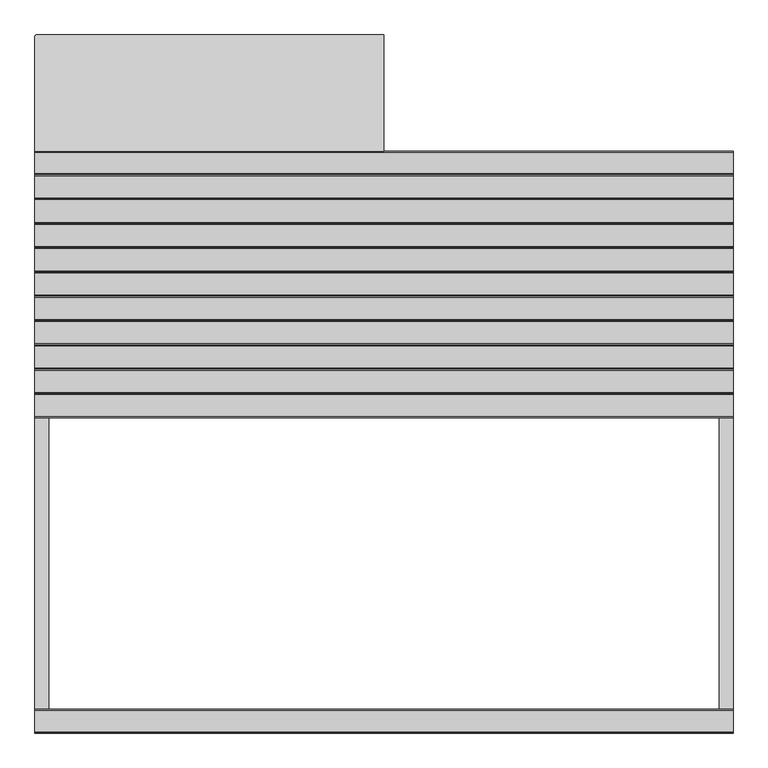
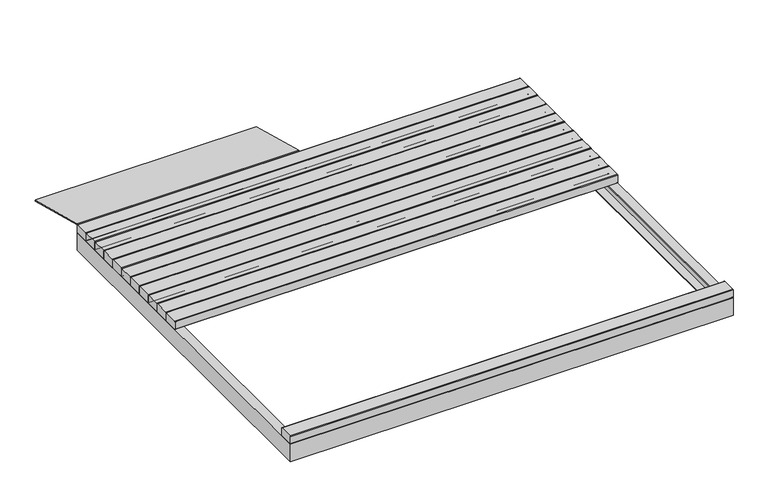
"""IFC4 building model written with IfcOpenShell, lengths in millimetres: furniture geometry."""

from ifc_helpers import new_model, si_unit, frame, origin, place, context, project, spatial, circle_curve, ellipse_curve, faceted_brep, source, transform, mapped, element, save
from ifc_brep_helpers import plane_surface, cylinder_surface, advanced_brep


def furniture_3b943328(model_context):
    return source(origin(), model_context, "Body", "SolidModel", [
        advanced_brep(
        [(-1199.9998, 86.6517174, 172.8), (-1199.9998, 164.2169348, 172.8), (-1199.9998, 167.2169348, 169.8), (-1199.9998, 167.2169348, 128.2937565), (-1199.9998, 164.2231783, 125.3), (-1199.9998, 86.6517174, 125.3), (-1199.9998, 83.6517174, 128.3), (-1199.9998, 83.6517174, 169.8), (1199.9999759, 83.6517174, 128.3), (1199.9999759, 83.6517174, 169.8), (1199.9999759, 167.2169348, 128.2937565), (1199.9999759, 164.2231783, 125.3), (1149.9999759, 164.2231783, 125.3), (-1149.9999759, 164.2231783, 125.3), (1199.9999759, 86.6517174, 172.8), (1199.9999759, 86.6517174, 125.3), (1199.9999759, 167.2169348, 169.8), (1199.9999759, 164.2169348, 172.8), (-1149.9999759, 86.6517174, 125.3), (1149.9999759, 86.6517174, 125.3)],
        [
            (0, 1),
            (1, 2, circle_curve(frame((-1199.9998, 164.2169348, 169.8), z_axis=(-1.0, 0.0, 0.0), x_axis=(0.0, -1.0, 0.0)), 3.0)),
            (2, 3),
            (3, 4, circle_curve(frame((-1199.9998, 164.2231783, 128.2937565), z_axis=(-1.0, 0.0, 0.0), x_axis=(0.0, -1.0, 0.0)), 2.9937565)),
            (4, 5),
            (5, 6, circle_curve(frame((-1199.9998, 86.6517174, 128.3), z_axis=(-1.0, 0.0, 0.0), x_axis=(0.0, -1.0, 0.0)), 3.0)),
            (6, 7),
            (7, 0, circle_curve(frame((-1199.9998, 86.6517174, 169.8), z_axis=(-1.0, 0.0, 0.0), x_axis=(0.0, -1.0, 0.0)), 3.0)),
            (8, 9),
            (9, 7),
            (6, 8),
            (10, 11, circle_curve(frame((1199.9999759, 164.2231783, 128.2937565), z_axis=(-1.0, 0.0, 0.0), x_axis=(0.0, -1.0, 0.0)), 2.9937565)),
            (11, 12),
            (12, 13),
            (13, 4),
            (3, 10),
            (14, 9, circle_curve(frame((1199.9999759, 86.6517174, 169.8), z_axis=(1.0, 0.0, 0.0), x_axis=(0.0, -1.0, 0.0)), 3.0)),
            (8, 15, circle_curve(frame((1199.9999759, 86.6517174, 128.3), z_axis=(1.0, 0.0, 0.0), x_axis=(0.0, -1.0, 0.0)), 3.0)),
            (15, 11),
            (10, 16),
            (16, 17, circle_curve(frame((1199.9999759, 164.2169348, 169.8), z_axis=(1.0, 0.0, 0.0), x_axis=(0.0, -1.0, 0.0)), 3.0)),
            (17, 14),
            (14, 0),
            (5, 18),
            (18, 19),
            (19, 15),
            (2, 16),
            (1, 17),
        ],
        [
            plane_surface(frame((-1199.9998, 83.6517174, 169.8), z_axis=(-1.0, 0.0, 0.0), x_axis=(0.0, 0.0, 1.0))),
            plane_surface(frame((1199.9999759, 83.6517174, 169.8), z_axis=(0.0, -1.0, 0.0), x_axis=(-1.0, 0.0, 0.0))),
            cylinder_surface(frame((-1199.9998, 164.2231783, 128.2937565), z_axis=(1.0, 0.0, 0.0), x_axis=(0.0, -1.0, 0.0)), 2.9937565),
            plane_surface(frame((1199.9999759, 83.6517174, 169.8), z_axis=(1.0, 0.0, 0.0), x_axis=(0.0, 0.0, -1.0))),
            cylinder_surface(frame((-1199.9998, 86.6517174, 169.8), z_axis=(1.0, 0.0, 0.0), x_axis=(0.0, -1.0, 0.0)), 3.0),
            cylinder_surface(frame((-1199.9998, 86.6517174, 128.3), z_axis=(1.0, 0.0, 0.0), x_axis=(0.0, -1.0, 0.0)), 3.0),
            plane_surface(frame((1199.9999759, 86.6517174, 125.3), z_axis=(0.0, 0.0, -1.0), x_axis=(-1.0, 0.0, 0.0))),
            plane_surface(frame((1199.9999759, 167.2169348, 128.2937565), z_axis=(0.0, 1.0, 0.0), x_axis=(-1.0, 0.0, 0.0))),
            cylinder_surface(frame((-1199.9998, 164.2169348, 169.8), z_axis=(1.0, 0.0, 0.0), x_axis=(0.0, -1.0, 0.0)), 3.0),
            plane_surface(frame((1199.9999759, 164.2169348, 172.8), z_axis=(0.0, 0.0, 1.0), x_axis=(-1.0, 0.0, 0.0))),
        ],
        [
            (0, [[1, 2, 3, 4, 5, 6, 7, 8]]),
            (1, [[9, 10, -7, 11]]),
            (2, [[12, 13, 14, 15, -4, 16]]),
            (3, [[17, -9, 18, 19, -12, 20, 21, 22]]),
            (4, [[-17, 23, -8, -10]]),
            (5, [[-18, -11, -6, 24, 25, 26]]),
            (6, [[-19, -26, -25, -24, -5, -15, -14, -13]]),
            (7, [[-20, -16, -3, 27]]),
            (8, [[-21, -27, -2, 28]]),
            (9, [[-22, -28, -1, -23]]),
        ],
    ),
        advanced_brep(
        [(1199.9999759, 170.2169348, 172.8), (1199.9999759, 167.2169348, 169.8), (1199.9999759, 167.2169348, 128.3), (1199.9999759, 170.2169348, 125.3), (1199.9999759, 247.7883957, 125.3), (1199.9999759, 250.7821522, 128.2937565), (1199.9999759, 250.7821522, 169.8), (1199.9999759, 247.7821522, 172.8), (-1199.9998, 170.2169348, 172.8), (-1199.9998, 247.7821522, 172.8), (-1199.9998, 250.7821522, 169.8), (-1199.9998, 250.7821522, 128.2937565), (-1199.9998, 247.7883957, 125.3), (-1199.9998, 170.2169348, 125.3), (-1199.9998, 167.2169348, 128.3), (-1199.9998, 167.2169348, 169.8), (-1149.9999759, 170.2169348, 125.3), (1149.9999759, 170.2169348, 125.3), (-1149.9999759, 247.7883957, 125.3), (1149.9999759, 247.7883957, 125.3)],
        [
            (0, 1, circle_curve(frame((1199.9999759, 170.2169348, 169.8), z_axis=(1.0, 0.0, 0.0), x_axis=(0.0, -1.0, 0.0)), 3.0)),
            (1, 2),
            (2, 3, circle_curve(frame((1199.9999759, 170.2169348, 128.3), z_axis=(1.0, 0.0, 0.0), x_axis=(0.0, -1.0, 0.0)), 3.0)),
            (3, 4),
            (4, 5, circle_curve(frame((1199.9999759, 247.7883957, 128.2937565), z_axis=(1.0, 0.0, 0.0), x_axis=(0.0, -1.0, 0.0)), 2.9937565)),
            (5, 6),
            (6, 7, circle_curve(frame((1199.9999759, 247.7821522, 169.8), z_axis=(1.0, 0.0, 0.0), x_axis=(0.0, -1.0, 0.0)), 3.0)),
            (7, 0),
            (8, 9),
            (9, 10, circle_curve(frame((-1199.9998, 247.7821522, 169.8), z_axis=(-1.0, 0.0, 0.0), x_axis=(0.0, -1.0, 0.0)), 3.0)),
            (10, 11),
            (11, 12, circle_curve(frame((-1199.9998, 247.7883957, 128.2937565), z_axis=(-1.0, 0.0, 0.0), x_axis=(0.0, -1.0, 0.0)), 2.9937565)),
            (12, 13),
            (13, 14, circle_curve(frame((-1199.9998, 170.2169348, 128.3), z_axis=(-1.0, 0.0, 0.0), x_axis=(0.0, -1.0, 0.0)), 3.0)),
            (14, 15),
            (15, 8, circle_curve(frame((-1199.9998, 170.2169348, 169.8), z_axis=(-1.0, 0.0, 0.0), x_axis=(0.0, -1.0, 0.0)), 3.0)),
            (0, 8),
            (15, 1),
            (14, 2),
            (13, 16),
            (16, 17),
            (17, 3),
            (12, 18),
            (18, 19),
            (19, 4),
            (11, 5),
            (10, 6),
            (9, 7),
        ],
        [
            plane_surface(frame((1199.9999759, 167.2169348, 169.8), z_axis=(1.0, 0.0, 0.0), x_axis=(0.0, 0.0, -1.0))),
            plane_surface(frame((-1199.9998, 167.2169348, 169.8), z_axis=(-1.0, 0.0, 0.0), x_axis=(0.0, 0.0, 1.0))),
            cylinder_surface(frame((-1199.9998, 170.2169348, 169.8), z_axis=(1.0, 0.0, 0.0), x_axis=(0.0, -1.0, 0.0)), 3.0),
            plane_surface(frame((1199.9999759, 167.2169348, 169.8), z_axis=(0.0, -1.0, 0.0), x_axis=(-1.0, 0.0, 0.0))),
            cylinder_surface(frame((-1199.9998, 170.2169348, 128.3), z_axis=(1.0, 0.0, 0.0), x_axis=(0.0, -1.0, 0.0)), 3.0),
            plane_surface(frame((1199.9999759, 170.2169348, 125.3), z_axis=(0.0, 0.0, -1.0), x_axis=(-1.0, 0.0, 0.0))),
            cylinder_surface(frame((-1199.9998, 247.7883957, 128.2937565), z_axis=(1.0, 0.0, 0.0), x_axis=(0.0, -1.0, 0.0)), 2.9937565),
            plane_surface(frame((1199.9999759, 250.7821522, 128.2937565), z_axis=(0.0, 1.0, 0.0), x_axis=(-1.0, 0.0, 0.0))),
            cylinder_surface(frame((-1199.9998, 247.7821522, 169.8), z_axis=(1.0, 0.0, 0.0), x_axis=(0.0, -1.0, 0.0)), 3.0),
            plane_surface(frame((1199.9999759, 247.7821522, 172.8), z_axis=(0.0, 0.0, 1.0), x_axis=(-1.0, 0.0, 0.0))),
        ],
        [
            (0, [[1, 2, 3, 4, 5, 6, 7, 8]]),
            (1, [[9, 10, 11, 12, 13, 14, 15, 16]]),
            (2, [[-1, 17, -16, 18]]),
            (3, [[-2, -18, -15, 19]]),
            (4, [[-3, -19, -14, 20, 21, 22]]),
            (5, [[-4, -22, -21, -20, -13, 23, 24, 25]]),
            (6, [[-5, -25, -24, -23, -12, 26]]),
            (7, [[-6, -26, -11, 27]]),
            (8, [[-7, -27, -10, 28]]),
            (9, [[-8, -28, -9, -17]]),
        ],
    ),
        advanced_brep(
        [(1199.9999759, 334.3473696, 128.2937565), (1199.9999759, 331.3536131, 125.3), (1149.9999759, 331.3536131, 125.3), (-1149.9999759, 331.3536131, 125.3), (-1199.9998, 331.3536131, 125.3), (-1199.9998, 334.3473696, 128.2937565), (1199.9999759, 253.7821522, 172.8), (1199.9999759, 250.7821522, 169.8), (1199.9999759, 250.7821522, 128.3), (1199.9999759, 253.7821522, 125.3), (1199.9999759, 334.3473696, 169.8), (1199.9999759, 331.3473696, 172.8), (-1199.9998, 253.7821522, 172.8), (-1199.9998, 331.3473696, 172.8), (-1199.9998, 334.3473696, 169.8), (-1199.9998, 253.7821522, 125.3), (-1199.9998, 250.7821522, 128.3), (-1199.9998, 250.7821522, 169.8), (-1149.9999759, 253.7821522, 125.3), (1149.9999759, 253.7821522, 125.3)],
        [
            (0, 1, circle_curve(frame((1199.9999759, 331.3536131, 128.2937565), z_axis=(-1.0, 0.0, 0.0), x_axis=(0.0, -1.0, 0.0)), 2.9937565)),
            (1, 2),
            (2, 3),
            (3, 4),
            (4, 5, circle_curve(frame((-1199.9998, 331.3536131, 128.2937565), z_axis=(1.0, 0.0, 0.0), x_axis=(0.0, -1.0, 0.0)), 2.9937565)),
            (5, 0),
            (6, 7, circle_curve(frame((1199.9999759, 253.7821522, 169.8), z_axis=(1.0, 0.0, 0.0), x_axis=(0.0, -1.0, 0.0)), 3.0)),
            (7, 8),
            (8, 9, circle_curve(frame((1199.9999759, 253.7821522, 128.3), z_axis=(1.0, 0.0, 0.0), x_axis=(0.0, -1.0, 0.0)), 3.0)),
            (9, 1),
            (0, 10),
            (10, 11, circle_curve(frame((1199.9999759, 331.3473696, 169.8), z_axis=(1.0, 0.0, 0.0), x_axis=(0.0, -1.0, 0.0)), 3.0)),
            (11, 6),
            (12, 13),
            (13, 14, circle_curve(frame((-1199.9998, 331.3473696, 169.8), z_axis=(-1.0, 0.0, 0.0), x_axis=(0.0, -1.0, 0.0)), 3.0)),
            (14, 5),
            (4, 15),
            (15, 16, circle_curve(frame((-1199.9998, 253.7821522, 128.3), z_axis=(-1.0, 0.0, 0.0), x_axis=(0.0, -1.0, 0.0)), 3.0)),
            (16, 17),
            (17, 12, circle_curve(frame((-1199.9998, 253.7821522, 169.8), z_axis=(-1.0, 0.0, 0.0), x_axis=(0.0, -1.0, 0.0)), 3.0)),
            (6, 12),
            (17, 7),
            (16, 8),
            (15, 18),
            (18, 19),
            (19, 9),
            (14, 10),
            (13, 11),
        ],
        [
            cylinder_surface(frame((-1199.9998, 331.3536131, 128.2937565), z_axis=(1.0, 0.0, 0.0), x_axis=(0.0, -1.0, 0.0)), 2.9937565),
            plane_surface(frame((1199.9999759, 250.7821522, 169.8), z_axis=(1.0, 0.0, 0.0), x_axis=(0.0, 0.0, -1.0))),
            plane_surface(frame((-1199.9998, 250.7821522, 169.8), z_axis=(-1.0, 0.0, 0.0), x_axis=(0.0, 0.0, 1.0))),
            cylinder_surface(frame((-1199.9998, 253.7821522, 169.8), z_axis=(1.0, 0.0, 0.0), x_axis=(0.0, -1.0, 0.0)), 3.0),
            plane_surface(frame((1199.9999759, 250.7821522, 169.8), z_axis=(0.0, -1.0, 0.0), x_axis=(-1.0, 0.0, 0.0))),
            cylinder_surface(frame((-1199.9998, 253.7821522, 128.3), z_axis=(1.0, 0.0, 0.0), x_axis=(0.0, -1.0, 0.0)), 3.0),
            plane_surface(frame((1199.9999759, 253.7821522, 125.3), z_axis=(0.0, 0.0, -1.0), x_axis=(-1.0, 0.0, 0.0))),
            plane_surface(frame((1199.9999759, 334.3473696, 128.2937565), z_axis=(0.0, 1.0, 0.0), x_axis=(-1.0, 0.0, 0.0))),
            cylinder_surface(frame((-1199.9998, 331.3473696, 169.8), z_axis=(1.0, 0.0, 0.0), x_axis=(0.0, -1.0, 0.0)), 3.0),
            plane_surface(frame((1199.9999759, 331.3473696, 172.8), z_axis=(0.0, 0.0, 1.0), x_axis=(-1.0, 0.0, 0.0))),
        ],
        [
            (0, [[1, 2, 3, 4, 5, 6]]),
            (1, [[7, 8, 9, 10, -1, 11, 12, 13]]),
            (2, [[14, 15, 16, -5, 17, 18, 19, 20]]),
            (3, [[-7, 21, -20, 22]]),
            (4, [[-8, -22, -19, 23]]),
            (5, [[-9, -23, -18, 24, 25, 26]]),
            (6, [[-10, -26, -25, -24, -17, -4, -3, -2]]),
            (7, [[-11, -6, -16, 27]]),
            (8, [[-12, -27, -15, 28]]),
            (9, [[-13, -28, -14, -21]]),
        ],
    ),
        advanced_brep(
        [(1199.9999759, 337.3473696, 172.8), (1199.9999759, 334.3473696, 169.8), (1199.9999759, 334.3473696, 128.3), (1199.9999759, 337.3473696, 125.3), (1199.9999759, 414.9188305, 125.3), (1199.9999759, 417.912587, 128.2937565), (1199.9999759, 417.912587, 169.8), (1199.9999759, 414.912587, 172.8), (-1199.9998, 337.3473696, 172.8), (-1199.9998, 414.912587, 172.8), (-1199.9998, 417.912587, 169.8), (-1199.9998, 417.912587, 128.2937565), (-1199.9998, 414.9188305, 125.3), (-1199.9998, 337.3473696, 125.3), (-1199.9998, 334.3473696, 128.3), (-1199.9998, 334.3473696, 169.8), (-1149.9999759, 337.3473696, 125.3), (1149.9999759, 337.3473696, 125.3), (-1149.9999759, 414.9188305, 125.3), (1149.9999759, 414.9188305, 125.3)],
        [
            (0, 1, circle_curve(frame((1199.9999759, 337.3473696, 169.8), z_axis=(1.0, 0.0, 0.0), x_axis=(0.0, -1.0, 0.0)), 3.0)),
            (1, 2),
            (2, 3, circle_curve(frame((1199.9999759, 337.3473696, 128.3), z_axis=(1.0, 0.0, 0.0), x_axis=(0.0, -1.0, 0.0)), 3.0)),
            (3, 4),
            (4, 5, circle_curve(frame((1199.9999759, 414.9188305, 128.2937565), z_axis=(1.0, 0.0, 0.0), x_axis=(0.0, -1.0, 0.0)), 2.9937565)),
            (5, 6),
            (6, 7, circle_curve(frame((1199.9999759, 414.912587, 169.8), z_axis=(1.0, 0.0, 0.0), x_axis=(0.0, -1.0, 0.0)), 3.0)),
            (7, 0),
            (8, 9),
            (9, 10, circle_curve(frame((-1199.9998, 414.912587, 169.8), z_axis=(-1.0, 0.0, 0.0), x_axis=(0.0, -1.0, 0.0)), 3.0)),
            (10, 11),
            (11, 12, circle_curve(frame((-1199.9998, 414.9188305, 128.2937565), z_axis=(-1.0, 0.0, 0.0), x_axis=(0.0, -1.0, 0.0)), 2.9937565)),
            (12, 13),
            (13, 14, circle_curve(frame((-1199.9998, 337.3473696, 128.3), z_axis=(-1.0, 0.0, 0.0), x_axis=(0.0, -1.0, 0.0)), 3.0)),
            (14, 15),
            (15, 8, circle_curve(frame((-1199.9998, 337.3473696, 169.8), z_axis=(-1.0, 0.0, 0.0), x_axis=(0.0, -1.0, 0.0)), 3.0)),
            (0, 8),
            (15, 1),
            (14, 2),
            (13, 16),
            (16, 17),
            (17, 3),
            (12, 18),
            (18, 19),
            (19, 4),
            (11, 5),
            (10, 6),
            (9, 7),
        ],
        [
            plane_surface(frame((1199.9999759, 334.3473696, 169.8), z_axis=(1.0, 0.0, 0.0), x_axis=(0.0, 0.0, -1.0))),
            plane_surface(frame((-1199.9998, 334.3473696, 169.8), z_axis=(-1.0, 0.0, 0.0), x_axis=(0.0, 0.0, 1.0))),
            cylinder_surface(frame((-1199.9998, 337.3473696, 169.8), z_axis=(1.0, 0.0, 0.0), x_axis=(0.0, -1.0, 0.0)), 3.0),
            plane_surface(frame((1199.9999759, 334.3473696, 169.8), z_axis=(0.0, -1.0, 0.0), x_axis=(-1.0, 0.0, 0.0))),
            cylinder_surface(frame((-1199.9998, 337.3473696, 128.3), z_axis=(1.0, 0.0, 0.0), x_axis=(0.0, -1.0, 0.0)), 3.0),
            plane_surface(frame((1199.9999759, 337.3473696, 125.3), z_axis=(0.0, 0.0, -1.0), x_axis=(-1.0, 0.0, 0.0))),
            cylinder_surface(frame((-1199.9998, 414.9188305, 128.2937565), z_axis=(1.0, 0.0, 0.0), x_axis=(0.0, -1.0, 0.0)), 2.9937565),
            plane_surface(frame((1199.9999759, 417.912587, 128.2937565), z_axis=(0.0, 1.0, 0.0), x_axis=(-1.0, 0.0, 0.0))),
            cylinder_surface(frame((-1199.9998, 414.912587, 169.8), z_axis=(1.0, 0.0, 0.0), x_axis=(0.0, -1.0, 0.0)), 3.0),
            plane_surface(frame((1199.9999759, 414.912587, 172.8), z_axis=(0.0, 0.0, 1.0), x_axis=(-1.0, 0.0, 0.0))),
        ],
        [
            (0, [[1, 2, 3, 4, 5, 6, 7, 8]]),
            (1, [[9, 10, 11, 12, 13, 14, 15, 16]]),
            (2, [[-1, 17, -16, 18]]),
            (3, [[-2, -18, -15, 19]]),
            (4, [[-3, -19, -14, 20, 21, 22]]),
            (5, [[-4, -22, -21, -20, -13, 23, 24, 25]]),
            (6, [[-5, -25, -24, -23, -12, 26]]),
            (7, [[-6, -26, -11, 27]]),
            (8, [[-7, -27, -10, 28]]),
            (9, [[-8, -28, -9, -17]]),
        ],
    ),
        advanced_brep(
        [(1199.9999759, 420.912587, 172.8), (1199.9999759, 417.912587, 169.8), (1199.9999759, 417.912587, 128.3), (1199.9999759, 420.912587, 125.3), (1199.9999759, 498.4840479, 125.3), (1199.9999759, 501.4778043, 128.2937565), (1199.9999759, 501.4778043, 169.8), (1199.9999759, 498.4778043, 172.8), (-1199.9998, 420.912587, 172.8), (-1199.9998, 498.4778043, 172.8), (-1199.9998, 501.4778043, 169.8), (-1199.9998, 501.4778043, 128.2937565), (-1199.9998, 498.4840479, 125.3), (-1199.9998, 420.912587, 125.3), (-1199.9998, 417.912587, 128.3), (-1199.9998, 417.912587, 169.8), (-1149.9999759, 420.912587, 125.3), (1149.9999759, 420.912587, 125.3), (-1149.9999759, 498.4840479, 125.3), (1149.9999759, 498.4840479, 125.3)],
        [
            (0, 1, circle_curve(frame((1199.9999759, 420.912587, 169.8), z_axis=(1.0, 0.0, 0.0), x_axis=(0.0, -1.0, 0.0)), 3.0)),
            (1, 2),
            (2, 3, circle_curve(frame((1199.9999759, 420.912587, 128.3), z_axis=(1.0, 0.0, 0.0), x_axis=(0.0, -1.0, 0.0)), 3.0)),
            (3, 4),
            (4, 5, circle_curve(frame((1199.9999759, 498.4840479, 128.2937565), z_axis=(1.0, 0.0, 0.0), x_axis=(0.0, -1.0, 0.0)), 2.9937565)),
            (5, 6),
            (6, 7, circle_curve(frame((1199.9999759, 498.4778043, 169.8), z_axis=(1.0, 0.0, 0.0), x_axis=(0.0, -1.0, 0.0)), 3.0)),
            (7, 0),
            (8, 9),
            (9, 10, circle_curve(frame((-1199.9998, 498.4778043, 169.8), z_axis=(-1.0, 0.0, 0.0), x_axis=(0.0, -1.0, 0.0)), 3.0)),
            (10, 11),
            (11, 12, circle_curve(frame((-1199.9998, 498.4840479, 128.2937565), z_axis=(-1.0, 0.0, 0.0), x_axis=(0.0, -1.0, 0.0)), 2.9937565)),
            (12, 13),
            (13, 14, circle_curve(frame((-1199.9998, 420.912587, 128.3), z_axis=(-1.0, 0.0, 0.0), x_axis=(0.0, -1.0, 0.0)), 3.0)),
            (14, 15),
            (15, 8, circle_curve(frame((-1199.9998, 420.912587, 169.8), z_axis=(-1.0, 0.0, 0.0), x_axis=(0.0, -1.0, 0.0)), 3.0)),
            (0, 8),
            (15, 1),
            (14, 2),
            (13, 16),
            (16, 17),
            (17, 3),
            (12, 18),
            (18, 19),
            (19, 4),
            (11, 5),
            (10, 6),
            (9, 7),
        ],
        [
            plane_surface(frame((1199.9999759, 417.912587, 169.8), z_axis=(1.0, 0.0, 0.0), x_axis=(0.0, 0.0, -1.0))),
            plane_surface(frame((-1199.9998, 417.912587, 169.8), z_axis=(-1.0, 0.0, 0.0), x_axis=(0.0, 0.0, 1.0))),
            cylinder_surface(frame((-1199.9998, 420.912587, 169.8), z_axis=(1.0, 0.0, 0.0), x_axis=(0.0, -1.0, 0.0)), 3.0),
            plane_surface(frame((1199.9999759, 417.912587, 169.8), z_axis=(0.0, -1.0, 0.0), x_axis=(-1.0, 0.0, 0.0))),
            cylinder_surface(frame((-1199.9998, 420.912587, 128.3), z_axis=(1.0, 0.0, 0.0), x_axis=(0.0, -1.0, 0.0)), 3.0),
            plane_surface(frame((1199.9999759, 420.912587, 125.3), z_axis=(0.0, 0.0, -1.0), x_axis=(-1.0, 0.0, 0.0))),
            cylinder_surface(frame((-1199.9998, 498.4840479, 128.2937565), z_axis=(1.0, 0.0, 0.0), x_axis=(0.0, -1.0, 0.0)), 2.9937565),
            plane_surface(frame((1199.9999759, 501.4778043, 128.2937565), z_axis=(0.0, 1.0, 0.0), x_axis=(-1.0, 0.0, 0.0))),
            cylinder_surface(frame((-1199.9998, 498.4778043, 169.8), z_axis=(1.0, 0.0, 0.0), x_axis=(0.0, -1.0, 0.0)), 3.0),
            plane_surface(frame((1199.9999759, 498.4778043, 172.8), z_axis=(0.0, 0.0, 1.0), x_axis=(-1.0, 0.0, 0.0))),
        ],
        [
            (0, [[1, 2, 3, 4, 5, 6, 7, 8]]),
            (1, [[9, 10, 11, 12, 13, 14, 15, 16]]),
            (2, [[-1, 17, -16, 18]]),
            (3, [[-2, -18, -15, 19]]),
            (4, [[-3, -19, -14, 20, 21, 22]]),
            (5, [[-4, -22, -21, -20, -13, 23, 24, 25]]),
            (6, [[-5, -25, -24, -23, -12, 26]]),
            (7, [[-6, -26, -11, 27]]),
            (8, [[-7, -27, -10, 28]]),
            (9, [[-8, -28, -9, -17]]),
        ],
    ),
        advanced_brep(
        [(1199.9999759, 504.4778043, 172.8), (1199.9999759, 501.4778043, 169.8), (1199.9999759, 501.4778043, 128.3), (1199.9999759, 504.4778043, 125.3), (1199.9999759, 582.0492653, 125.3), (1199.9999759, 585.0430217, 128.2937565), (1199.9999759, 585.0430217, 169.8), (1199.9999759, 582.0430217, 172.8), (-1199.9998, 504.4778043, 172.8), (-1199.9998, 582.0430217, 172.8), (-1199.9998, 585.0430217, 169.8), (-1199.9998, 585.0430217, 128.2937565), (-1199.9998, 582.0492653, 125.3), (-1199.9998, 504.4778043, 125.3), (-1199.9998, 501.4778043, 128.3), (-1199.9998, 501.4778043, 169.8), (-1149.9999759, 504.4778043, 125.3), (1149.9999759, 504.4778043, 125.3), (-1149.9999759, 582.0492653, 125.3), (1149.9999759, 582.0492653, 125.3)],
        [
            (0, 1, circle_curve(frame((1199.9999759, 504.4778043, 169.8), z_axis=(1.0, 0.0, 0.0), x_axis=(0.0, -1.0, 0.0)), 3.0)),
            (1, 2),
            (2, 3, circle_curve(frame((1199.9999759, 504.4778043, 128.3), z_axis=(1.0, 0.0, 0.0), x_axis=(0.0, -1.0, 0.0)), 3.0)),
            (3, 4),
            (4, 5, circle_curve(frame((1199.9999759, 582.0492653, 128.2937565), z_axis=(1.0, 0.0, 0.0), x_axis=(0.0, -1.0, 0.0)), 2.9937565)),
            (5, 6),
            (6, 7, circle_curve(frame((1199.9999759, 582.0430217, 169.8), z_axis=(1.0, 0.0, 0.0), x_axis=(0.0, -1.0, 0.0)), 3.0)),
            (7, 0),
            (8, 9),
            (9, 10, circle_curve(frame((-1199.9998, 582.0430217, 169.8), z_axis=(-1.0, 0.0, 0.0), x_axis=(0.0, -1.0, 0.0)), 3.0)),
            (10, 11),
            (11, 12, circle_curve(frame((-1199.9998, 582.0492653, 128.2937565), z_axis=(-1.0, 0.0, 0.0), x_axis=(0.0, -1.0, 0.0)), 2.9937565)),
            (12, 13),
            (13, 14, circle_curve(frame((-1199.9998, 504.4778043, 128.3), z_axis=(-1.0, 0.0, 0.0), x_axis=(0.0, -1.0, 0.0)), 3.0)),
            (14, 15),
            (15, 8, circle_curve(frame((-1199.9998, 504.4778043, 169.8), z_axis=(-1.0, 0.0, 0.0), x_axis=(0.0, -1.0, 0.0)), 3.0)),
            (0, 8),
            (15, 1),
            (14, 2),
            (13, 16),
            (16, 17),
            (17, 3),
            (12, 18),
            (18, 19),
            (19, 4),
            (11, 5),
            (10, 6),
            (9, 7),
        ],
        [
            plane_surface(frame((1199.9999759, 501.4778043, 169.8), z_axis=(1.0, 0.0, 0.0), x_axis=(0.0, 0.0, -1.0))),
            plane_surface(frame((-1199.9998, 501.4778043, 169.8), z_axis=(-1.0, 0.0, 0.0), x_axis=(0.0, 0.0, 1.0))),
            cylinder_surface(frame((-1199.9998, 504.4778043, 169.8), z_axis=(1.0, 0.0, 0.0), x_axis=(0.0, -1.0, 0.0)), 3.0),
            plane_surface(frame((1199.9999759, 501.4778043, 169.8), z_axis=(0.0, -1.0, 0.0), x_axis=(-1.0, 0.0, 0.0))),
            cylinder_surface(frame((-1199.9998, 504.4778043, 128.3), z_axis=(1.0, 0.0, 0.0), x_axis=(0.0, -1.0, 0.0)), 3.0),
            plane_surface(frame((1199.9999759, 504.4778043, 125.3), z_axis=(0.0, 0.0, -1.0), x_axis=(-1.0, 0.0, 0.0))),
            cylinder_surface(frame((-1199.9998, 582.0492653, 128.2937565), z_axis=(1.0, 0.0, 0.0), x_axis=(0.0, -1.0, 0.0)), 2.9937565),
            plane_surface(frame((1199.9999759, 585.0430217, 128.2937565), z_axis=(0.0, 1.0, 0.0), x_axis=(-1.0, 0.0, 0.0))),
            cylinder_surface(frame((-1199.9998, 582.0430217, 169.8), z_axis=(1.0, 0.0, 0.0), x_axis=(0.0, -1.0, 0.0)), 3.0),
            plane_surface(frame((1199.9999759, 582.0430217, 172.8), z_axis=(0.0, 0.0, 1.0), x_axis=(-1.0, 0.0, 0.0))),
        ],
        [
            (0, [[1, 2, 3, 4, 5, 6, 7, 8]]),
            (1, [[9, 10, 11, 12, 13, 14, 15, 16]]),
            (2, [[-1, 17, -16, 18]]),
            (3, [[-2, -18, -15, 19]]),
            (4, [[-3, -19, -14, 20, 21, 22]]),
            (5, [[-4, -22, -21, -20, -13, 23, 24, 25]]),
            (6, [[-5, -25, -24, -23, -12, 26]]),
            (7, [[-6, -26, -11, 27]]),
            (8, [[-7, -27, -10, 28]]),
            (9, [[-8, -28, -9, -17]]),
        ],
    ),
        advanced_brep(
        [(1199.9999759, 665.6144826, 125.3), (1199.9999759, 588.0430217, 125.3), (1149.9999759, 588.0430217, 125.3), (-1149.9999759, 588.0430217, 125.3), (-1199.9998, 588.0430217, 125.3), (-1199.9998, 665.6144826, 125.3), (-1149.9999759, 665.6144826, 125.3), (1149.9999759, 665.6144826, 125.3), (1199.9999759, 588.0430217, 172.8), (1199.9999759, 585.0430217, 169.8), (1199.9999759, 585.0430217, 128.3), (1199.9999759, 668.6082391, 128.2937565), (1199.9999759, 668.6082391, 169.8), (1199.9999759, 665.6082391, 172.8), (-1199.9998, 588.0430217, 172.8), (-1199.9998, 665.6082391, 172.8), (-1199.9998, 668.6082391, 169.8), (-1199.9998, 668.6082391, 128.2937565), (-1199.9998, 585.0430217, 128.3), (-1199.9998, 585.0430217, 169.8)],
        [
            (0, 1),
            (1, 2),
            (2, 3),
            (3, 4),
            (4, 5),
            (5, 6),
            (6, 7),
            (7, 0),
            (8, 9, circle_curve(frame((1199.9999759, 588.0430217, 169.8), z_axis=(1.0, 0.0, 0.0), x_axis=(0.0, -1.0, 0.0)), 3.0)),
            (9, 10),
            (10, 1, circle_curve(frame((1199.9999759, 588.0430217, 128.3), z_axis=(1.0, 0.0, 0.0), x_axis=(0.0, -1.0, 0.0)), 3.0)),
            (0, 11, circle_curve(frame((1199.9999759, 665.6144826, 128.2937565), z_axis=(1.0, 0.0, 0.0), x_axis=(0.0, -1.0, 0.0)), 2.9937565)),
            (11, 12),
            (12, 13, circle_curve(frame((1199.9999759, 665.6082391, 169.8), z_axis=(1.0, 0.0, 0.0), x_axis=(0.0, -1.0, 0.0)), 3.0)),
            (13, 8),
            (14, 15),
            (15, 16, circle_curve(frame((-1199.9998, 665.6082391, 169.8), z_axis=(-1.0, 0.0, 0.0), x_axis=(0.0, -1.0, 0.0)), 3.0)),
            (16, 17),
            (17, 5, circle_curve(frame((-1199.9998, 665.6144826, 128.2937565), z_axis=(-1.0, 0.0, 0.0), x_axis=(0.0, -1.0, 0.0)), 2.9937565)),
            (4, 18, circle_curve(frame((-1199.9998, 588.0430217, 128.3), z_axis=(-1.0, 0.0, 0.0), x_axis=(0.0, -1.0, 0.0)), 3.0)),
            (18, 19),
            (19, 14, circle_curve(frame((-1199.9998, 588.0430217, 169.8), z_axis=(-1.0, 0.0, 0.0), x_axis=(0.0, -1.0, 0.0)), 3.0)),
            (8, 14),
            (19, 9),
            (18, 10),
            (17, 11),
            (16, 12),
            (15, 13),
        ],
        [
            plane_surface(frame((1199.9999759, 588.0430217, 125.3), z_axis=(0.0, 0.0, -1.0), x_axis=(-1.0, 0.0, 0.0))),
            plane_surface(frame((1199.9999759, 585.0430217, 169.8), z_axis=(1.0, 0.0, 0.0), x_axis=(0.0, 0.0, -1.0))),
            plane_surface(frame((-1199.9998, 585.0430217, 169.8), z_axis=(-1.0, 0.0, 0.0), x_axis=(0.0, 0.0, 1.0))),
            cylinder_surface(frame((-1199.9998, 588.0430217, 169.8), z_axis=(1.0, 0.0, 0.0), x_axis=(0.0, -1.0, 0.0)), 3.0),
            plane_surface(frame((1199.9999759, 585.0430217, 169.8), z_axis=(0.0, -1.0, 0.0), x_axis=(-1.0, 0.0, 0.0))),
            cylinder_surface(frame((-1199.9998, 588.0430217, 128.3), z_axis=(1.0, 0.0, 0.0), x_axis=(0.0, -1.0, 0.0)), 3.0),
            cylinder_surface(frame((-1199.9998, 665.6144826, 128.2937565), z_axis=(1.0, 0.0, 0.0), x_axis=(0.0, -1.0, 0.0)), 2.9937565),
            plane_surface(frame((1199.9999759, 668.6082391, 128.2937565), z_axis=(0.0, 1.0, 0.0), x_axis=(-1.0, 0.0, 0.0))),
            cylinder_surface(frame((-1199.9998, 665.6082391, 169.8), z_axis=(1.0, 0.0, 0.0), x_axis=(0.0, -1.0, 0.0)), 3.0),
            plane_surface(frame((1199.9999759, 665.6082391, 172.8), z_axis=(0.0, 0.0, 1.0), x_axis=(-1.0, 0.0, 0.0))),
        ],
        [
            (0, [[1, 2, 3, 4, 5, 6, 7, 8]]),
            (1, [[9, 10, 11, -1, 12, 13, 14, 15]]),
            (2, [[16, 17, 18, 19, -5, 20, 21, 22]]),
            (3, [[-9, 23, -22, 24]]),
            (4, [[-10, -24, -21, 25]]),
            (5, [[-11, -25, -20, -4, -3, -2]]),
            (6, [[-12, -8, -7, -6, -19, 26]]),
            (7, [[-13, -26, -18, 27]]),
            (8, [[-14, -27, -17, 28]]),
            (9, [[-15, -28, -16, -23]]),
        ],
    ),
        advanced_brep(
        [(1199.9999759, 671.6082391, 172.8), (1199.9999759, 668.6082391, 169.8), (1199.9999759, 668.6082391, 128.3), (1199.9999759, 671.6082391, 125.3), (1199.9999759, 749.1797, 125.3), (1199.9999759, 752.1734565, 128.2937565), (1199.9999759, 752.1734565, 169.8), (1199.9999759, 749.1734565, 172.8), (-1199.9998, 671.6082391, 172.8), (-1199.9998, 749.1734565, 172.8), (-1199.9998, 752.1734565, 169.8), (-1199.9998, 752.1734565, 128.2937565), (-1199.9998, 749.1797, 125.3), (-1199.9998, 671.6082391, 125.3), (-1199.9998, 668.6082391, 128.3), (-1199.9998, 668.6082391, 169.8), (-1149.9999759, 671.6082391, 125.3), (1149.9999759, 671.6082391, 125.3), (-1149.9999759, 749.1797, 125.3), (1149.9999759, 749.1797, 125.3)],
        [
            (0, 1, circle_curve(frame((1199.9999759, 671.6082391, 169.8), z_axis=(1.0, 0.0, 0.0), x_axis=(0.0, -1.0, 0.0)), 3.0)),
            (1, 2),
            (2, 3, circle_curve(frame((1199.9999759, 671.6082391, 128.3), z_axis=(1.0, 0.0, 0.0), x_axis=(0.0, -1.0, 0.0)), 3.0)),
            (3, 4),
            (4, 5, circle_curve(frame((1199.9999759, 749.1797, 128.2937565), z_axis=(1.0, 0.0, 0.0), x_axis=(0.0, -1.0, 0.0)), 2.9937565)),
            (5, 6),
            (6, 7, circle_curve(frame((1199.9999759, 749.1734565, 169.8), z_axis=(1.0, 0.0, 0.0), x_axis=(0.0, -1.0, 0.0)), 3.0)),
            (7, 0),
            (8, 9),
            (9, 10, circle_curve(frame((-1199.9998, 749.1734565, 169.8), z_axis=(-1.0, 0.0, 0.0), x_axis=(0.0, -1.0, 0.0)), 3.0)),
            (10, 11),
            (11, 12, circle_curve(frame((-1199.9998, 749.1797, 128.2937565), z_axis=(-1.0, 0.0, 0.0), x_axis=(0.0, -1.0, 0.0)), 2.9937565)),
            (12, 13),
            (13, 14, circle_curve(frame((-1199.9998, 671.6082391, 128.3), z_axis=(-1.0, 0.0, 0.0), x_axis=(0.0, -1.0, 0.0)), 3.0)),
            (14, 15),
            (15, 8, circle_curve(frame((-1199.9998, 671.6082391, 169.8), z_axis=(-1.0, 0.0, 0.0), x_axis=(0.0, -1.0, 0.0)), 3.0)),
            (0, 8),
            (15, 1),
            (14, 2),
            (13, 16),
            (16, 17),
            (17, 3),
            (12, 18),
            (18, 19),
            (19, 4),
            (11, 5),
            (10, 6),
            (9, 7),
        ],
        [
            plane_surface(frame((1199.9999759, 668.6082391, 169.8), z_axis=(1.0, 0.0, 0.0), x_axis=(0.0, 0.0, -1.0))),
            plane_surface(frame((-1199.9998, 668.6082391, 169.8), z_axis=(-1.0, 0.0, 0.0), x_axis=(0.0, 0.0, 1.0))),
            cylinder_surface(frame((-1199.9998, 671.6082391, 169.8), z_axis=(1.0, 0.0, 0.0), x_axis=(0.0, -1.0, 0.0)), 3.0),
            plane_surface(frame((1199.9999759, 668.6082391, 169.8), z_axis=(0.0, -1.0, 0.0), x_axis=(-1.0, 0.0, 0.0))),
            cylinder_surface(frame((-1199.9998, 671.6082391, 128.3), z_axis=(1.0, 0.0, 0.0), x_axis=(0.0, -1.0, 0.0)), 3.0),
            plane_surface(frame((1199.9999759, 671.6082391, 125.3), z_axis=(0.0, 0.0, -1.0), x_axis=(-1.0, 0.0, 0.0))),
            cylinder_surface(frame((-1199.9998, 749.1797, 128.2937565), z_axis=(1.0, 0.0, 0.0), x_axis=(0.0, -1.0, 0.0)), 2.9937565),
            plane_surface(frame((1199.9999759, 752.1734565, 128.2937565), z_axis=(0.0, 1.0, 0.0), x_axis=(-1.0, 0.0, 0.0))),
            cylinder_surface(frame((-1199.9998, 749.1734565, 169.8), z_axis=(1.0, 0.0, 0.0), x_axis=(0.0, -1.0, 0.0)), 3.0),
            plane_surface(frame((1199.9999759, 749.1734565, 172.8), z_axis=(0.0, 0.0, 1.0), x_axis=(-1.0, 0.0, 0.0))),
        ],
        [
            (0, [[1, 2, 3, 4, 5, 6, 7, 8]]),
            (1, [[9, 10, 11, 12, 13, 14, 15, 16]]),
            (2, [[-1, 17, -16, 18]]),
            (3, [[-2, -18, -15, 19]]),
            (4, [[-3, -19, -14, 20, 21, 22]]),
            (5, [[-4, -22, -21, -20, -13, 23, 24, 25]]),
            (6, [[-5, -25, -24, -23, -12, 26]]),
            (7, [[-6, -26, -11, 27]]),
            (8, [[-7, -27, -10, 28]]),
            (9, [[-8, -28, -9, -17]]),
        ],
    ),
        advanced_brep(
        [(-1199.9998, 755.1734565, 172.8), (-1199.9998, 832.7386739, 172.8), (-1199.9998, 835.7386739, 169.8), (-1199.9998, 835.7386739, 128.2937565), (-1199.9998, 832.7449174, 125.3), (-1199.9998, 755.1734565, 125.3), (-1199.9998, 752.1734565, 128.3), (-1199.9998, 752.1734565, 169.8), (1199.9999759, 752.1734565, 128.3), (1199.9999759, 752.1734565, 169.8), (1199.9999759, 755.1734565, 172.8), (1199.9999759, 832.7386739, 172.8), (1199.9999759, 755.1734565, 125.3), (1199.9999759, 832.7449174, 125.3), (1199.9999759, 835.7386739, 128.2937565), (1199.9999759, 835.7386739, 169.8), (-1149.9999759, 755.1734565, 125.3), (1149.9999759, 755.1734565, 125.3), (-1149.9999759, 832.7449174, 125.3), (1149.9999759, 832.7449174, 125.3)],
        [
            (0, 1),
            (1, 2, circle_curve(frame((-1199.9998, 832.7386739, 169.8), z_axis=(-1.0, 0.0, 0.0), x_axis=(0.0, -1.0, 0.0)), 3.0)),
            (2, 3),
            (3, 4, circle_curve(frame((-1199.9998, 832.7449174, 128.2937565), z_axis=(-1.0, 0.0, 0.0), x_axis=(0.0, -1.0, 0.0)), 2.9937565)),
            (4, 5),
            (5, 6, circle_curve(frame((-1199.9998, 755.1734565, 128.3), z_axis=(-1.0, 0.0, 0.0), x_axis=(0.0, -1.0, 0.0)), 3.0)),
            (6, 7),
            (7, 0, circle_curve(frame((-1199.9998, 755.1734565, 169.8), z_axis=(-1.0, 0.0, 0.0), x_axis=(0.0, -1.0, 0.0)), 3.0)),
            (8, 9),
            (9, 7),
            (6, 8),
            (10, 11),
            (11, 1),
            (0, 10),
            (10, 9, circle_curve(frame((1199.9999759, 755.1734565, 169.8), z_axis=(1.0, 0.0, 0.0), x_axis=(0.0, -1.0, 0.0)), 3.0)),
            (8, 12, circle_curve(frame((1199.9999759, 755.1734565, 128.3), z_axis=(1.0, 0.0, 0.0), x_axis=(0.0, -1.0, 0.0)), 3.0)),
            (12, 13),
            (13, 14, circle_curve(frame((1199.9999759, 832.7449174, 128.2937565), z_axis=(1.0, 0.0, 0.0), x_axis=(0.0, -1.0, 0.0)), 2.9937565)),
            (14, 15),
            (15, 11, circle_curve(frame((1199.9999759, 832.7386739, 169.8), z_axis=(1.0, 0.0, 0.0), x_axis=(0.0, -1.0, 0.0)), 3.0)),
            (5, 16),
            (16, 17),
            (17, 12),
            (4, 18),
            (18, 19),
            (19, 13),
            (3, 14),
            (2, 15),
        ],
        [
            plane_surface(frame((-1199.9998, 752.1734565, 169.8), z_axis=(-1.0, 0.0, 0.0), x_axis=(0.0, 0.0, 1.0))),
            plane_surface(frame((1199.9999759, 752.1734565, 169.8), z_axis=(0.0, -1.0, 0.0), x_axis=(-1.0, 0.0, 0.0))),
            plane_surface(frame((1199.9999759, 832.7386739, 172.8), z_axis=(0.0, 0.0, 1.0), x_axis=(-1.0, 0.0, 0.0))),
            plane_surface(frame((1199.9999759, 752.1734565, 169.8), z_axis=(1.0, 0.0, 0.0), x_axis=(0.0, 0.0, -1.0))),
            cylinder_surface(frame((-1199.9998, 755.1734565, 169.8), z_axis=(1.0, 0.0, 0.0), x_axis=(0.0, -1.0, 0.0)), 3.0),
            cylinder_surface(frame((-1199.9998, 755.1734565, 128.3), z_axis=(1.0, 0.0, 0.0), x_axis=(0.0, -1.0, 0.0)), 3.0),
            plane_surface(frame((1199.9999759, 755.1734565, 125.3), z_axis=(0.0, 0.0, -1.0), x_axis=(-1.0, 0.0, 0.0))),
            cylinder_surface(frame((-1199.9998, 832.7449174, 128.2937565), z_axis=(1.0, 0.0, 0.0), x_axis=(0.0, -1.0, 0.0)), 2.9937565),
            plane_surface(frame((1199.9999759, 835.7386739, 128.2937565), z_axis=(0.0, 1.0, 0.0), x_axis=(-1.0, 0.0, 0.0))),
            cylinder_surface(frame((-1199.9998, 832.7386739, 169.8), z_axis=(1.0, 0.0, 0.0), x_axis=(0.0, -1.0, 0.0)), 3.0),
        ],
        [
            (0, [[1, 2, 3, 4, 5, 6, 7, 8]]),
            (1, [[9, 10, -7, 11]]),
            (2, [[12, 13, -1, 14]]),
            (3, [[15, -9, 16, 17, 18, 19, 20, -12]]),
            (4, [[-15, -14, -8, -10]]),
            (5, [[-16, -11, -6, 21, 22, 23]]),
            (6, [[-17, -23, -22, -21, -5, 24, 25, 26]]),
            (7, [[-18, -26, -25, -24, -4, 27]]),
            (8, [[-19, -27, -3, 28]]),
            (9, [[-20, -28, -2, -13]]),
        ],
    ),
        advanced_brep(
        [(-1199.9998, -996.9135, 172.8), (-1199.9998, -922.1308913, 172.8), (-1199.9998, -919.1308913, 169.8), (-1199.9998, -919.1308913, 128.2937565), (-1199.9998, -922.1246478, 125.3), (-1199.9998, -996.9135, 125.3), (-1199.9998, -999.9135, 128.3), (-1199.9998, -999.9135, 169.8), (1199.9999759, -999.9135, 169.8), (1199.9999759, -996.9135, 172.8), (1199.9999759, -999.9135, 128.3), (1199.9999759, -996.9135, 125.3), (1199.9999759, -922.1246478, 125.3), (1199.9999759, -919.1308913, 128.2937565), (1199.9999759, -919.1308913, 169.8), (1199.9999759, -922.1308913, 172.8), (-1149.9999759, -922.1246478, 125.3), (1149.9999759, -922.1246478, 125.3)],
        [
            (0, 1),
            (1, 2, circle_curve(frame((-1199.9998, -922.1308913, 169.8), z_axis=(-1.0, 0.0, 0.0), x_axis=(0.0, -1.0, 0.0)), 3.0)),
            (2, 3),
            (3, 4, circle_curve(frame((-1199.9998, -922.1246478, 128.2937565), z_axis=(-1.0, 0.0, 0.0), x_axis=(0.0, -1.0, 0.0)), 2.9937565)),
            (4, 5),
            (5, 6, circle_curve(frame((-1199.9998, -996.9135, 128.3), z_axis=(-1.0, 0.0, 0.0), x_axis=(0.0, -1.0, 0.0)), 3.0)),
            (6, 7),
            (7, 0, circle_curve(frame((-1199.9998, -996.9135, 169.8), z_axis=(-1.0, 0.0, 0.0), x_axis=(0.0, -1.0, 0.0)), 3.0)),
            (8, 9, circle_curve(frame((1199.9999759, -996.9135, 169.8), z_axis=(-1.0, 0.0, 0.0), x_axis=(0.0, -1.0, 0.0)), 3.0)),
            (9, 0),
            (7, 8),
            (8, 10),
            (10, 11, circle_curve(frame((1199.9999759, -996.9135, 128.3), z_axis=(1.0, 0.0, 0.0), x_axis=(0.0, -1.0, 0.0)), 3.0)),
            (11, 12),
            (12, 13, circle_curve(frame((1199.9999759, -922.1246478, 128.2937565), z_axis=(1.0, 0.0, 0.0), x_axis=(0.0, -1.0, 0.0)), 2.9937565)),
            (13, 14),
            (14, 15, circle_curve(frame((1199.9999759, -922.1308913, 169.8), z_axis=(1.0, 0.0, 0.0), x_axis=(0.0, -1.0, 0.0)), 3.0)),
            (15, 9),
            (6, 10),
            (5, 11),
            (4, 16),
            (16, 17),
            (17, 12),
            (3, 13),
            (2, 14),
            (1, 15),
        ],
        [
            plane_surface(frame((-1199.9998, -999.9135, 169.8), z_axis=(-1.0, 0.0, 0.0), x_axis=(0.0, 0.0, 1.0))),
            cylinder_surface(frame((-1199.9998, -996.9135, 169.8), z_axis=(1.0, 0.0, 0.0), x_axis=(0.0, -1.0, 0.0)), 3.0),
            plane_surface(frame((1199.9999759, -999.9135, 169.8), z_axis=(1.0, 0.0, 0.0), x_axis=(0.0, 0.0, -1.0))),
            plane_surface(frame((1199.9999759, -999.9135, 169.8), z_axis=(0.0, -1.0, 0.0), x_axis=(-1.0, 0.0, 0.0))),
            cylinder_surface(frame((-1199.9998, -996.9135, 128.3), z_axis=(1.0, 0.0, 0.0), x_axis=(0.0, -1.0, 0.0)), 3.0),
            plane_surface(frame((1199.9999759, -996.9135, 125.3), z_axis=(0.0, 0.0, -1.0), x_axis=(-1.0, 0.0, 0.0))),
            cylinder_surface(frame((-1199.9998, -922.1246478, 128.2937565), z_axis=(1.0, 0.0, 0.0), x_axis=(0.0, -1.0, 0.0)), 2.9937565),
            plane_surface(frame((1199.9999759, -919.1308913, 128.2937565), z_axis=(0.0, 1.0, 0.0), x_axis=(-1.0, 0.0, 0.0))),
            cylinder_surface(frame((-1199.9998, -922.1308913, 169.8), z_axis=(1.0, 0.0, 0.0), x_axis=(0.0, -1.0, 0.0)), 3.0),
            plane_surface(frame((1199.9999759, -922.1308913, 172.8), z_axis=(0.0, 0.0, 1.0), x_axis=(-1.0, 0.0, 0.0))),
        ],
        [
            (0, [[1, 2, 3, 4, 5, 6, 7, 8]]),
            (1, [[9, 10, -8, 11]]),
            (2, [[-9, 12, 13, 14, 15, 16, 17, 18]]),
            (3, [[-12, -11, -7, 19]]),
            (4, [[-13, -19, -6, 20]]),
            (5, [[-14, -20, -5, 21, 22, 23]]),
            (6, [[-15, -23, -22, -21, -4, 24]]),
            (7, [[-16, -24, -3, 25]]),
            (8, [[-17, -25, -2, 26]]),
            (9, [[-18, -26, -1, -10]]),
        ],
    ),
        advanced_brep(
        [(1199.9999759, 838.7386739, 172.8), (1199.9999759, 835.7386739, 169.8), (1199.9999759, 835.7386739, 128.3), (1199.9999759, 838.7386739, 125.3), (1199.9999759, 916.3101348, 125.3), (1199.9999759, 919.3038913, 128.2937565), (1199.9999759, 919.3038913, 169.8), (1199.9999759, 916.3038913, 172.8), (-1199.9998, 838.7386739, 172.8), (-1199.9998, 916.3038913, 172.8), (-1199.9998, 919.3038913, 169.8), (-1199.9998, 919.3038913, 128.2937565), (-1199.9998, 916.3101348, 125.3), (-1199.9998, 838.7386739, 125.3), (-1199.9998, 835.7386739, 128.3), (-1199.9998, 835.7386739, 169.8), (-1149.9999759, 838.7386739, 125.3), (1149.9999759, 838.7386739, 125.3), (-1149.9999759, 916.3101348, 125.3), (1149.9999759, 916.3101348, 125.3)],
        [
            (0, 1, circle_curve(frame((1199.9999759, 838.7386739, 169.8), z_axis=(1.0, 0.0, 0.0), x_axis=(0.0, -1.0, 0.0)), 3.0)),
            (1, 2),
            (2, 3, circle_curve(frame((1199.9999759, 838.7386739, 128.3), z_axis=(1.0, 0.0, 0.0), x_axis=(0.0, -1.0, 0.0)), 3.0)),
            (3, 4),
            (4, 5, circle_curve(frame((1199.9999759, 916.3101348, 128.2937565), z_axis=(1.0, 0.0, 0.0), x_axis=(0.0, -1.0, 0.0)), 2.9937565)),
            (5, 6),
            (6, 7, circle_curve(frame((1199.9999759, 916.3038913, 169.8), z_axis=(1.0, 0.0, 0.0), x_axis=(0.0, -1.0, 0.0)), 3.0)),
            (7, 0),
            (8, 9),
            (9, 10, circle_curve(frame((-1199.9998, 916.3038913, 169.8), z_axis=(-1.0, 0.0, 0.0), x_axis=(0.0, -1.0, 0.0)), 3.0)),
            (10, 11),
            (11, 12, circle_curve(frame((-1199.9998, 916.3101348, 128.2937565), z_axis=(-1.0, 0.0, 0.0), x_axis=(0.0, -1.0, 0.0)), 2.9937565)),
            (12, 13),
            (13, 14, circle_curve(frame((-1199.9998, 838.7386739, 128.3), z_axis=(-1.0, 0.0, 0.0), x_axis=(0.0, -1.0, 0.0)), 3.0)),
            (14, 15),
            (15, 8, circle_curve(frame((-1199.9998, 838.7386739, 169.8), z_axis=(-1.0, 0.0, 0.0), x_axis=(0.0, -1.0, 0.0)), 3.0)),
            (0, 8),
            (15, 1),
            (14, 2),
            (13, 16),
            (16, 17),
            (17, 3),
            (12, 18),
            (18, 19),
            (19, 4),
            (11, 5),
            (10, 6),
            (9, 7),
        ],
        [
            plane_surface(frame((1199.9999759, 835.7386739, 169.8), z_axis=(1.0, 0.0, 0.0), x_axis=(0.0, 0.0, -1.0))),
            plane_surface(frame((-1199.9998, 835.7386739, 169.8), z_axis=(-1.0, 0.0, 0.0), x_axis=(0.0, 0.0, 1.0))),
            cylinder_surface(frame((-1199.9998, 838.7386739, 169.8), z_axis=(1.0, 0.0, 0.0), x_axis=(0.0, -1.0, 0.0)), 3.0),
            plane_surface(frame((1199.9999759, 835.7386739, 169.8), z_axis=(0.0, -1.0, 0.0), x_axis=(-1.0, 0.0, 0.0))),
            cylinder_surface(frame((-1199.9998, 838.7386739, 128.3), z_axis=(1.0, 0.0, 0.0), x_axis=(0.0, -1.0, 0.0)), 3.0),
            plane_surface(frame((1199.9999759, 838.7386739, 125.3), z_axis=(0.0, 0.0, -1.0), x_axis=(-1.0, 0.0, 0.0))),
            cylinder_surface(frame((-1199.9998, 916.3101348, 128.2937565), z_axis=(1.0, 0.0, 0.0), x_axis=(0.0, -1.0, 0.0)), 2.9937565),
            plane_surface(frame((1199.9999759, 919.3038913, 128.2937565), z_axis=(0.0, 1.0, 0.0), x_axis=(-1.0, 0.0, 0.0))),
            cylinder_surface(frame((-1199.9998, 916.3038913, 169.8), z_axis=(1.0, 0.0, 0.0), x_axis=(0.0, -1.0, 0.0)), 3.0),
            plane_surface(frame((1199.9999759, 916.3038913, 172.8), z_axis=(0.0, 0.0, 1.0), x_axis=(-1.0, 0.0, 0.0))),
        ],
        [
            (0, [[1, 2, 3, 4, 5, 6, 7, 8]]),
            (1, [[9, 10, 11, 12, 13, 14, 15, 16]]),
            (2, [[-1, 17, -16, 18]]),
            (3, [[-2, -18, -15, 19]]),
            (4, [[-3, -19, -14, 20, 21, 22]]),
            (5, [[-4, -22, -21, -20, -13, 23, 24, 25]]),
            (6, [[-5, -25, -24, -23, -12, 26]]),
            (7, [[-6, -26, -11, 27]]),
            (8, [[-7, -27, -10, 28]]),
            (9, [[-8, -28, -9, -17]]),
        ],
    ),
        advanced_brep(
        [(1199.9999759, 1000.0865, 169.8), (1199.9999759, 1000.0865, 128.2937565), (-1199.9998, 1000.0865, 128.2937565), (-1199.9998, 1000.0865, 169.8), (1199.9999759, 919.3038913, 169.8), (1199.9999759, 922.3038913, 172.8), (-1199.9998, 922.3038913, 172.8), (-1199.9998, 919.3038913, 169.8), (1199.9999759, 997.0927435, 125.3), (1199.9999759, 922.3038913, 125.3), (1149.9999759, 922.3038913, 125.3), (-1149.9999759, 922.3038913, 125.3), (-1199.9998, 922.3038913, 125.3), (-1199.9998, 997.0927435, 125.3), (1199.9999759, 919.3038913, 128.3), (1199.9999759, 997.0865, 172.8), (-1199.9998, 997.0865, 172.8), (-1199.9998, 919.3038913, 128.3)],
        [
            (0, 1),
            (1, 2),
            (2, 3),
            (3, 0),
            (4, 5, circle_curve(frame((1199.9999759, 922.3038913, 169.8), z_axis=(-1.0, 0.0, 0.0), x_axis=(0.0, -1.0, 0.0)), 3.0)),
            (5, 6),
            (6, 7, circle_curve(frame((-1199.9998, 922.3038913, 169.8), z_axis=(1.0, 0.0, 0.0), x_axis=(0.0, -1.0, 0.0)), 3.0)),
            (7, 4),
            (8, 9),
            (9, 10),
            (10, 11),
            (11, 12),
            (12, 13),
            (13, 8),
            (1, 8, circle_curve(frame((1199.9999759, 997.0927435, 128.2937565), z_axis=(-1.0, 0.0, 0.0), x_axis=(0.0, -1.0, 0.0)), 2.9937565)),
            (13, 2, circle_curve(frame((-1199.9998, 997.0927435, 128.2937565), z_axis=(1.0, 0.0, 0.0), x_axis=(0.0, -1.0, 0.0)), 2.9937565)),
            (4, 14),
            (14, 9, circle_curve(frame((1199.9999759, 922.3038913, 128.3), z_axis=(1.0, 0.0, 0.0), x_axis=(0.0, -1.0, 0.0)), 3.0)),
            (0, 15, circle_curve(frame((1199.9999759, 997.0865, 169.8), z_axis=(1.0, 0.0, 0.0), x_axis=(0.0, -1.0, 0.0)), 3.0)),
            (15, 5),
            (6, 16),
            (16, 3, circle_curve(frame((-1199.9998, 997.0865, 169.8), z_axis=(-1.0, 0.0, 0.0), x_axis=(0.0, -1.0, 0.0)), 3.0)),
            (12, 17, circle_curve(frame((-1199.9998, 922.3038913, 128.3), z_axis=(-1.0, 0.0, 0.0), x_axis=(0.0, -1.0, 0.0)), 3.0)),
            (17, 7),
            (17, 14),
            (16, 15),
        ],
        [
            plane_surface(frame((1199.9999759, 1000.0865, 128.2937565), z_axis=(0.0, 1.0, 0.0), x_axis=(-1.0, 0.0, 0.0))),
            cylinder_surface(frame((-1199.9998, 922.3038913, 169.8), z_axis=(1.0, 0.0, 0.0), x_axis=(0.0, -1.0, 0.0)), 3.0),
            plane_surface(frame((1199.9999759, 922.3038913, 125.3), z_axis=(0.0, 0.0, -1.0), x_axis=(-1.0, 0.0, 0.0))),
            cylinder_surface(frame((-1199.9998, 997.0927435, 128.2937565), z_axis=(1.0, 0.0, 0.0), x_axis=(0.0, -1.0, 0.0)), 2.9937565),
            plane_surface(frame((1199.9999759, 919.3038913, 169.8), z_axis=(1.0, 0.0, 0.0), x_axis=(0.0, 0.0, -1.0))),
            plane_surface(frame((-1199.9998, 919.3038913, 169.8), z_axis=(-1.0, 0.0, 0.0), x_axis=(0.0, 0.0, 1.0))),
            plane_surface(frame((1199.9999759, 919.3038913, 169.8), z_axis=(0.0, -1.0, 0.0), x_axis=(-1.0, 0.0, 0.0))),
            cylinder_surface(frame((-1199.9998, 922.3038913, 128.3), z_axis=(1.0, 0.0, 0.0), x_axis=(0.0, -1.0, 0.0)), 3.0),
            cylinder_surface(frame((-1199.9998, 997.0865, 169.8), z_axis=(1.0, 0.0, 0.0), x_axis=(0.0, -1.0, 0.0)), 3.0),
            plane_surface(frame((1199.9999759, 997.0865, 172.8), z_axis=(0.0, 0.0, 1.0), x_axis=(-1.0, 0.0, 0.0))),
        ],
        [
            (0, [[1, 2, 3, 4]]),
            (1, [[5, 6, 7, 8]]),
            (2, [[9, 10, 11, 12, 13, 14]]),
            (3, [[15, -14, 16, -2]]),
            (4, [[-5, 17, 18, -9, -15, -1, 19, 20]]),
            (5, [[21, 22, -3, -16, -13, 23, 24, -7]]),
            (6, [[-17, -8, -24, 25]]),
            (7, [[-18, -25, -23, -12, -11, -10]]),
            (8, [[-19, -4, -22, 26]]),
            (9, [[-20, -26, -21, -6]]),
        ],
    ),
        faceted_brep([(-1199.9998, 1000.0865, 125.3), (1199.9999759, 1000.0865, 125.3), (1199.9999759, 1000.0865, 25.3), (-1199.9998, 1000.0865, 25.3), (1199.9999759, -1000.0, 25.3), (-1199.9998, -1000.0, 25.3), (1149.9999759, 950.0, 25.3), (-1149.9999759, 950.0, 25.3), (-1149.9999759, -950.0, 25.3), (1149.9999759, -950.0, 25.3), (-1199.9998, -1000.0, 125.3), (1199.9999759, -1000.0, 125.3), (-1149.9999759, 950.0, 125.3), (1149.9999759, 950.0, 125.3), (1149.9999759, -950.0, 125.3), (-1149.9999759, -950.0, 125.3), (-1149.9999759, 950.0, 120.3), (1149.9999759, 950.0, 120.3), (1149.9999759, 950.0, 30.3), (-1149.9999759, 950.0, 30.3), (-1149.9999759, -950.0, 120.3), (-1149.9999759, -950.0, 30.3), (1149.9999759, -950.0, 120.3), (1149.9999759, -950.0, 30.3), (-1194.9999759, 995.0, 120.3), (1194.9999759, 995.0, 120.3), (1194.9999759, -995.0, 120.3), (-1194.9999759, -995.0, 120.3), (-1194.9999759, 995.0, 30.3), (-1194.9999759, -995.0, 30.3), (1194.9999759, -995.0, 30.3), (1194.9999759, 995.0, 30.3)], [[[0, 1, 2, 3]], [[3, 2, 4, 5], [6, 7, 8, 9]], [[10, 0, 3, 5]], [[11, 10, 5, 4]], [[1, 11, 4, 2]], [[0, 10, 11, 1], [12, 13, 14, 15]], [[13, 12, 16, 17]], [[7, 6, 18, 19]], [[12, 15, 20, 16]], [[8, 7, 19, 21]], [[15, 14, 22, 20]], [[9, 8, 21, 23]], [[6, 9, 23, 18]], [[14, 13, 17, 22]], [[24, 25, 26, 27], [17, 16, 20, 22]], [[28, 29, 30, 31], [19, 18, 23, 21]], [[24, 27, 29, 28]], [[27, 26, 30, 29]], [[26, 25, 31, 30]], [[25, 24, 28, 31]]]),
        advanced_brep(
        [(-1199.9998, 1394.7088957, 66.3272866), (-1199.9998, 1394.7088957, 70.6754466), (-1194.9998, 1399.7088957, 69.3357006), (-1194.9998, 1399.7088957, 64.9875407), (0.0, 1000.0865, 176.4141988), (0.0, 1399.7088957, 69.3357006), (-1199.9998, 1000.0865, 176.4141988), (0.0, 1399.7088957, 64.9875407), (0.0, 1000.0865, 172.0660389), (-1199.9998, 1000.0865, 172.0660389)],
        [
            (0, 1),
            (1, 2, ellipse_curve(frame((-1194.9998, 1394.7088957, 70.6754466), z_axis=(0.0, -0.25881904510248305, -0.9659258262890784), x_axis=(0.0, 0.9659258262890785, -0.2588190451024831)), 5.1763809, 5.0)),
            (2, 3),
            (3, 0, ellipse_curve(frame((-1194.9998, 1394.7088957, 66.3272866), z_axis=(0.0, 0.25881904510248305, 0.9659258262890784), x_axis=(0.0, 0.9659258262890785, -0.2588190451024831)), 5.1763809, 5.0)),
            (4, 5),
            (5, 2),
            (1, 6),
            (6, 4),
            (7, 8),
            (8, 9),
            (9, 0),
            (3, 7),
            (4, 8),
            (7, 5),
            (9, 6),
        ],
        [
            cylinder_surface(frame((-1194.9998, 1394.7088957, 0.0), z_axis=(0.0, 0.0, -1.0), x_axis=(1.0, 0.0, 0.0)), 5.0),
            plane_surface(frame((-1228.539703, 919.9077564, 197.8980284), z_axis=(0.0, 0.25881904510248305, 0.9659258262890784), x_axis=(1.0, 0.0, 0.0))),
            plane_surface(frame((-1228.539703, 918.8207164, 193.84114), z_axis=(0.0, -0.25881904510248305, -0.9659258262890784), x_axis=(-1.0, 0.0, 0.0))),
            plane_surface(frame((0.0, 927.635163, 195.8274761), z_axis=(1.0, 0.0, 0.0), x_axis=(0.0, -0.2588190451024815, -0.9659258262890789))),
            plane_surface(frame((-1199.9998, 1000.0865, 250.0), z_axis=(-1.0, 0.0, 0.0), x_axis=(0.0, 0.0, -1.0))),
            plane_surface(frame((-1194.9998, 1399.7088957, 250.0), z_axis=(0.0, 1.0, 0.0), x_axis=(0.0, 0.0, -1.0))),
            plane_surface(frame((1199.9999759, 1000.0865, 250.0), z_axis=(0.0, -1.0, 0.0), x_axis=(0.0, 0.0, -1.0))),
        ],
        [
            (0, [[1, 2, 3, 4]]),
            (1, [[5, 6, -2, 7, 8]]),
            (2, [[9, 10, 11, -4, 12]]),
            (3, [[-5, 13, -9, 14]]),
            (4, [[15, -7, -1, -11]]),
            (5, [[-3, -6, -14, -12]]),
            (6, [[-15, -10, -13, -8]]),
        ],
    ),
    ])


if __name__ == "__main__":
    model = new_model("IFC4")
    model_context = context("Model", 3, world=origin())
    ifc_project = project(units=[si_unit("LENGTHUNIT", "METRE", prefix="MILLI")], contexts=[model_context])
    site = spatial("IfcSite", under=ifc_project)
    building = spatial("IfcBuilding", under=site)
    placement = place(None, origin())
    furniture_shape = furniture_3b943328(model_context)
    element("IfcFurniture", 1, at=placement, inside=building, context=model_context, shape_type="MappedRepresentation", body=[
        mapped(furniture_shape, transform((0.0, 0.0, 0.0), x_axis=(1.0, 0.0, 0.0), y_axis=(0.0, 1.0, 0.0), z_axis=(0.0, 0.0, 1.0))),
    ])
    save(model, "model.ifc")
